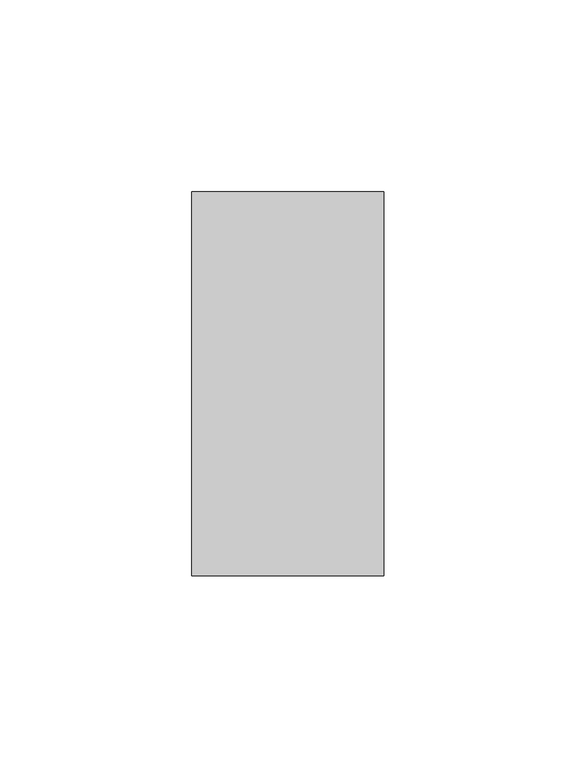
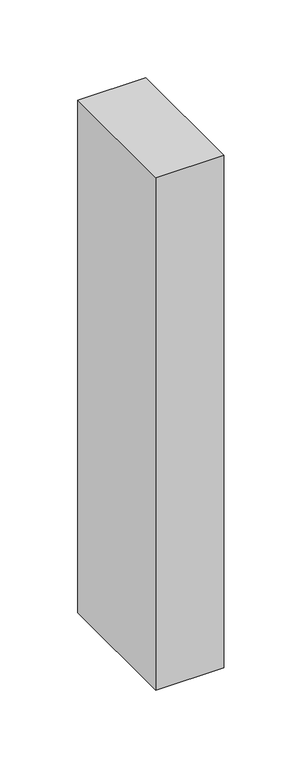
"""IFC4 building model written with IfcOpenShell, lengths in millimetres: member geometry."""

import ifcopenshell
import ifcopenshell.guid

model = None  # the IFC model being written
_history = None  # IfcOwnerHistory: only IFC2X3 demands one
_inside = {}  # id of a spatial element -> (the spatial element, [elements in it])
_under = {}  # id of a project, library or spatial element -> (it, [spatial elements below it])
_declared = {}  # id of a project -> (the project, [libraries it declares])
_typed = {}  # id of a type object -> (the type object, [elements of that type])
_made_of = {}  # id of a material, layer set ... -> (it, [elements and type objects made of it])


def new_model(schema):
    """Start an empty IFC model of exactly this schema.

    Asked for "IFC4X3", IfcOpenShell would pick the latest addendum, in which some entities
    have other attributes; the version numbers below select the first issue.
    IFC2X3 requires an IfcOwnerHistory on every rooted entity: one is made here for all.
    """
    global model, _history
    if schema == "IFC4X3":
        model = ifcopenshell.file(schema_version=(4, 3, 0, 0))
    else:
        model = ifcopenshell.file(schema=schema)
    _inside.clear()
    _under.clear()
    _declared.clear()
    _typed.clear()
    _made_of.clear()
    _history = None
    if model.schema == "IFC2X3":
        org = make("IfcOrganization", Name="unknown")
        user = make(
            "IfcPersonAndOrganization",
            ThePerson=make("IfcPerson", FamilyName="unknown"),
            TheOrganization=org,
        )
        app = make(
            "IfcApplication",
            ApplicationDeveloper=org,
            Version="unknown",
            ApplicationFullName="unknown",
            ApplicationIdentifier="unknown",
        )
        _history = make(
            "IfcOwnerHistory",
            OwningUser=user,
            OwningApplication=app,
            ChangeAction="ADDED",
            CreationDate=0,
        )
    return model


def make(cls, **values):
    """One entity of the class cls with the attributes given. An attribute that is None is left unset."""
    return model.create_entity(
        cls, **{name: value for name, value in values.items() if value is not None}
    )


def rooted(cls, **values):
    """An entity with a GlobalId (a new one), such as an element, a storey or a relation."""
    return make(cls, GlobalId=ifcopenshell.guid.new(), OwnerHistory=_history, **values)


def si_unit(unit_type, name, prefix=None):
    """IfcSIUnit, for example si_unit("LENGTHUNIT", "METRE", prefix="MILLI")."""
    return make("IfcSIUnit", UnitType=unit_type, Prefix=prefix, Name=name)


def assignment(units):
    """IfcUnitAssignment: the units of a project."""
    return None if units is None else make("IfcUnitAssignment", Units=units)


def point(xyz):
    """IfcCartesianPoint."""
    return None if xyz is None else make("IfcCartesianPoint", Coordinates=xyz)


def direction(xyz):
    """IfcDirection."""
    return None if xyz is None else make("IfcDirection", DirectionRatios=xyz)


def frame(location, z_axis=None, x_axis=None):
    """IfcAxis2Placement3D, a coordinate frame: its origin and axes. An axis left out is left unset."""
    return make(
        "IfcAxis2Placement3D",
        Location=point(location),
        Axis=direction(z_axis),
        RefDirection=direction(x_axis),
    )


def origin():
    """The frame at (0, 0, 0) with its axes left unset."""
    return frame((0.0, 0.0, 0.0))


def place(relative_to, where):
    """IfcLocalPlacement: puts the frame where relative to a parent placement (None: the world)."""
    return make(
        "IfcLocalPlacement", PlacementRelTo=relative_to, RelativePlacement=where
    )


def context(
    kind, dimensions, precision=None, world=None, true_north=None, identifier=None
):
    """IfcGeometricRepresentationContext, for example the 3D "Model" context."""
    return make(
        "IfcGeometricRepresentationContext",
        ContextIdentifier=identifier,
        ContextType=kind,
        CoordinateSpaceDimension=dimensions,
        Precision=precision,
        WorldCoordinateSystem=world,
        TrueNorth=true_north,
    )


def project(units=None, contexts=None):
    """IfcProject with its units and contexts."""
    return rooted(
        "IfcProject",
        Name="project",
        RepresentationContexts=contexts,
        UnitsInContext=assignment(units),
    )


def spatial(cls, under=None, at=None, **own):
    """A site, building, storey or space (cls), placed at a placement, below another one or the project."""
    s = rooted(cls, ObjectPlacement=at, **own)
    if under is not None:
        _under.setdefault(under.id(), (under, []))[1].append(s)
    return s


def polyline(points):
    """IfcPolyline through the points."""
    return make("IfcPolyline", Points=[point(p) for p in points])


def outline(outer, holes=None, kind="AREA"):
    """IfcArbitraryClosedProfileDef: a profile drawn as a closed curve; with holes, ...WithVoids."""
    if holes is None:
        return make("IfcArbitraryClosedProfileDef", ProfileType=kind, OuterCurve=outer)
    return make(
        "IfcArbitraryProfileDefWithVoids",
        ProfileType=kind,
        OuterCurve=outer,
        InnerCurves=holes,
    )


def extrude(swept, where, along, depth):
    """IfcExtrudedAreaSolid: the profile swept, set in the frame where, extruded along a direction by depth."""
    return make(
        "IfcExtrudedAreaSolid",
        SweptArea=swept,
        Position=where,
        ExtrudedDirection=direction(along),
        Depth=depth,
    )


def shape(context_of_items, identifier, shape_type, items):
    """IfcShapeRepresentation: the items that make up one representation, for example the "Body"."""
    return make(
        "IfcShapeRepresentation",
        ContextOfItems=context_of_items,
        RepresentationIdentifier=identifier,
        RepresentationType=shape_type,
        Items=items,
    )


def source(mapping_origin, context_of_items, identifier, shape_type, items):
    """IfcRepresentationMap: a shape defined once, which mapped items show again and again."""
    return make(
        "IfcRepresentationMap",
        MappingOrigin=mapping_origin,
        MappedRepresentation=shape(context_of_items, identifier, shape_type, items),
    )


def transform(
    local_origin,
    x_axis=None,
    y_axis=None,
    z_axis=None,
    scale=None,
    scale2=None,
    scale3=None,
    uniform=True,
):
    """IfcCartesianTransformationOperator3D, or its non-uniform kind. x_axis, y_axis, z_axis: its Axis1, 2, 3."""
    if uniform:
        return make(
            "IfcCartesianTransformationOperator3D",
            Axis1=direction(x_axis),
            Axis2=direction(y_axis),
            LocalOrigin=point(local_origin),
            Scale=scale,
            Axis3=direction(z_axis),
        )
    return make(
        "IfcCartesianTransformationOperator3DnonUniform",
        Axis1=direction(x_axis),
        Axis2=direction(y_axis),
        LocalOrigin=point(local_origin),
        Scale=scale,
        Axis3=direction(z_axis),
        Scale2=scale2,
        Scale3=scale3,
    )


def mapped(mapping_source, mapping_target):
    """IfcMappedItem: shows the shape of a source again, moved by a transform."""
    return make(
        "IfcMappedItem", MappingSource=mapping_source, MappingTarget=mapping_target
    )


def made_of(thing, what):
    """Note that an element or type object is made of a material, layer set ...; save() writes the relation."""
    if what is not None:
        _made_of.setdefault(what.id(), (what, []))[1].append(thing)
    return thing


def element(
    cls,
    number,
    at=None,
    inside=None,
    cuts=None,
    type_object=None,
    material=None,
    context=None,
    identifier="Body",
    shape_type=None,
    held_by="IfcProductDefinitionShape",
    body=None,
    shapes=None,
    **own,
):
    """One element of the class cls, such as IfcWall. Its Tag is "e" and its number.

    at: its placement. inside: the storey or other place that contains it. cuts: it is an
    opening in that element (IfcRelVoidsElement). A single representation is given by context,
    identifier, shape_type and body (its items); several are given by shapes. held_by: the class
    of the entity that holds the representations. save() writes the other relations.
    """
    e = rooted(cls, Tag="e%d" % number, ObjectPlacement=at, **own)
    if body is not None:
        shapes = [shape(context, identifier, shape_type, body)]
    if shapes is not None:
        e.Representation = make(held_by, Representations=shapes)
    if inside is not None:
        _inside.setdefault(inside.id(), (inside, []))[1].append(e)
    if cuts is not None:
        rooted(
            "IfcRelVoidsElement", RelatingBuildingElement=cuts, RelatedOpeningElement=e
        )
    if type_object is not None:
        _typed.setdefault(type_object.id(), (type_object, []))[1].append(e)
    return made_of(e, material)


def aggregate(whole, parts):
    """IfcRelAggregates: a whole, such as a stair, and the parts it consists of."""
    return rooted("IfcRelAggregates", RelatingObject=whole, RelatedObjects=parts)


def save(model, path):
    """Write the relations noted so far, then the file.

    IfcRelAggregates (storeys below a building ...), IfcRelContainedInSpatialStructure (elements
    in a storey), IfcRelDefinesByType, IfcRelAssociatesMaterial and IfcRelDeclares: one each for
    every whole, place, type object, material and project.
    """
    for whole, parts in _under.values():
        aggregate(whole, parts)
    for where, things in _inside.values():
        rooted(
            "IfcRelContainedInSpatialStructure",
            RelatedElements=things,
            RelatingStructure=where,
        )
    for kind, things in _typed.values():
        rooted("IfcRelDefinesByType", RelatedObjects=things, RelatingType=kind)
    for what, things in _made_of.values():
        rooted("IfcRelAssociatesMaterial", RelatedObjects=things, RelatingMaterial=what)
    for by, libraries in _declared.values():
        rooted("IfcRelDeclares", RelatingContext=by, RelatedDefinitions=libraries)
    model.write(path)


def member_842aa6f0(model_context):
    return source(origin(), model_context, "Body", "SweptSolid", [
        extrude(outline(polyline([(25.0, 50.0), (25.0, -50.0), (-25.0, -50.0), (-25.0, 50.0), (25.0, 50.0)])), frame((0.0, 0.0, -400.8552083), z_axis=(0.0, 0.0, 1.0), x_axis=(1.0, 0.0, 0.0)), (0.0, 0.0, 1.0), 400.8552083),
    ])


if __name__ == "__main__":
    model = new_model("IFC4")
    model_context = context("Model", 3, world=origin())
    ifc_project = project(units=[si_unit("LENGTHUNIT", "METRE", prefix="MILLI")], contexts=[model_context])
    site = spatial("IfcSite", under=ifc_project)
    building = spatial("IfcBuilding", under=site)
    placement = place(None, origin())
    member_shape = member_842aa6f0(model_context)
    element("IfcMember", 1, at=placement, inside=building, context=model_context, shape_type="MappedRepresentation", body=[
        mapped(member_shape, transform((0.0, 0.0, 0.0), x_axis=(1.0, 0.0, 0.0), y_axis=(0.0, 1.0, 0.0), z_axis=(0.0, 0.0, 1.0))),
    ])
    save(model, "model.ifc")
